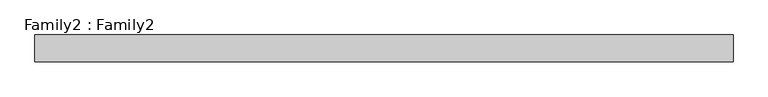
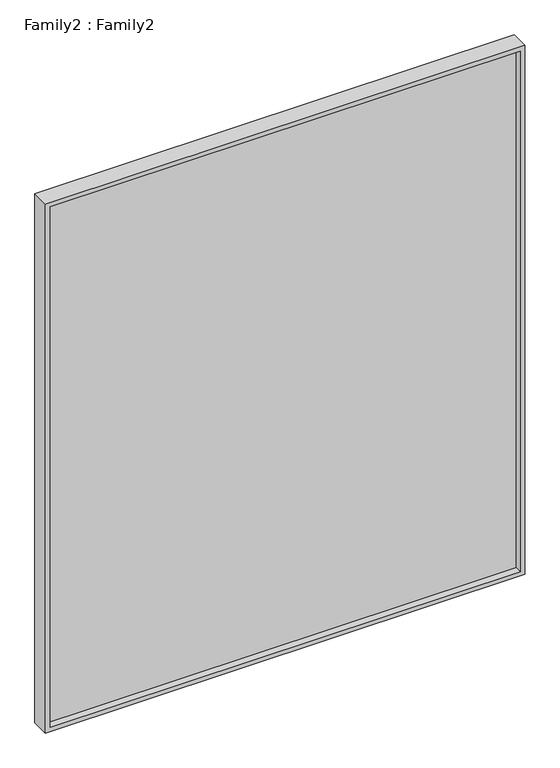
"""IFC4 building model written with IfcOpenShell, lengths in millimetres: plate geometry, Family2 : Family2."""

from ifc_helpers import new_model, si_unit, frame, origin, place, context, project, spatial, polyline, outline, extrude, source, transform, mapped, element, save


def family2_family2_8cc22638(model_context):
    return source(origin(), model_context, "Body", "SweptSolid", [
        extrude(outline(polyline([(2450.0, -1050.0), (0.0, -1050.0), (0.0, 1050.0), (2450.0, 1050.0), (2450.0, -1050.0)]), holes=[polyline([(20.0, -1030.0), (2430.0, -1030.0), (2430.0, 1030.0), (20.0, 1030.0), (20.0, -1030.0)])]), frame((0.0, -40.0, 0.0), z_axis=(0.0, 1.0, 0.0), x_axis=(0.0, 0.0, 1.0)), (0.0, 0.0, 1.0), 80.0),
        extrude(outline(polyline([(1030.0, -10.0), (-1030.0, -10.0), (-1030.0, 10.0), (1030.0, 10.0), (1030.0, -10.0)])), frame((0.0, 0.0, 20.0), z_axis=(0.0, 0.0, 1.0), x_axis=(1.0, 0.0, 0.0)), (0.0, 0.0, 1.0), 2410.0),
    ])


if __name__ == "__main__":
    model = new_model("IFC4")
    model_context = context("Model", 3, world=origin())
    ifc_project = project(units=[si_unit("LENGTHUNIT", "METRE", prefix="MILLI")], contexts=[model_context])
    site = spatial("IfcSite", under=ifc_project)
    building = spatial("IfcBuilding", under=site)
    placement = place(None, origin())
    family2_family2_shape = family2_family2_8cc22638(model_context)
    element("IfcPlate", 1, ObjectType="Family2 : Family2", at=placement, inside=building, context=model_context, shape_type="MappedRepresentation", body=[
        mapped(family2_family2_shape, transform((0.0, 0.0, 0.0), x_axis=(1.0, 0.0, 0.0), y_axis=(0.0, 1.0, 0.0), z_axis=(0.0, 0.0, 1.0))),
    ])
    save(model, "model.ifc")
